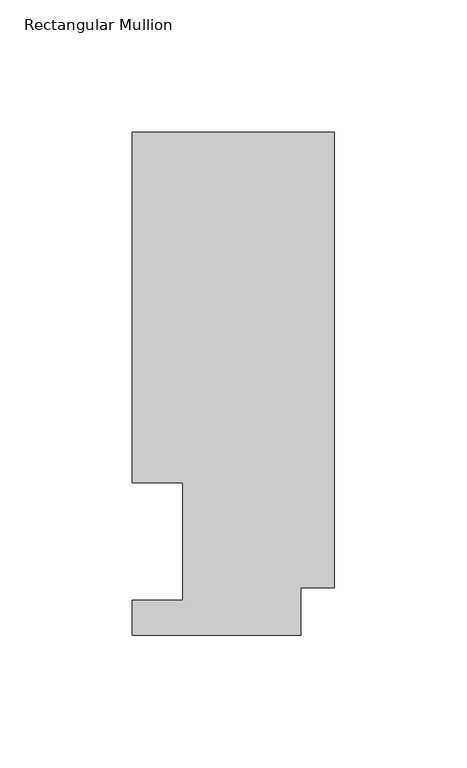
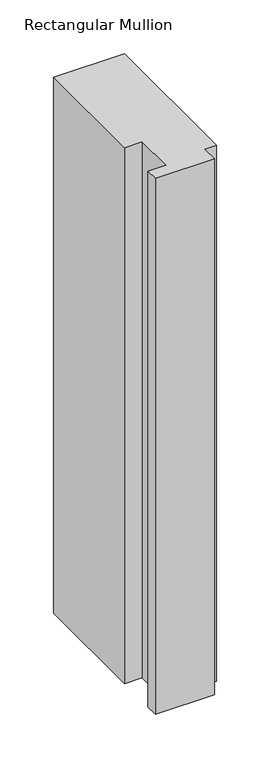
"""IFC4 building model written with IfcOpenShell, lengths in millimetres: member geometry, Rectangular Mullion."""

from ifc_helpers import new_model, si_unit, frame, origin, place, context, project, spatial, polyline, outline, extrude, source, transform, mapped, element, save


def rectangular_mullion_bac6a4c9(model_context):
    return source(origin(), model_context, "Body", "SweptSolid", [
        extrude(outline(polyline([(0.0, 189.8022937), (0.0, 17.9712937), (-12.7, 17.9712937), (-12.7, 0.0134937), (-76.2, 0.0134937), (-76.2, 13.1960937), (-57.1627, 13.1960937), (-57.1627, 57.6460937), (-76.2, 57.6460937), (-76.2, 189.8022937), (0.0, 189.8022937)])), frame((0.0, 0.0, -609.56825), z_axis=(0.0, 0.0, 1.0), x_axis=(1.0, 0.0, 0.0)), (0.0, 0.0, 1.0), 609.56825),
    ])


if __name__ == "__main__":
    model = new_model("IFC4")
    model_context = context("Model", 3, world=origin())
    ifc_project = project(units=[si_unit("LENGTHUNIT", "METRE", prefix="MILLI")], contexts=[model_context])
    site = spatial("IfcSite", under=ifc_project)
    building = spatial("IfcBuilding", under=site)
    placement = place(None, origin())
    rectangular_mullion_shape = rectangular_mullion_bac6a4c9(model_context)
    element("IfcMember", 1, ObjectType="Rectangular Mullion", at=placement, inside=building, context=model_context, shape_type="MappedRepresentation", body=[
        mapped(rectangular_mullion_shape, transform((0.0, 0.0, 0.0), x_axis=(1.0, 0.0, 0.0), y_axis=(0.0, 1.0, 0.0), z_axis=(0.0, 0.0, 1.0))),
    ])
    save(model, "model.ifc")
